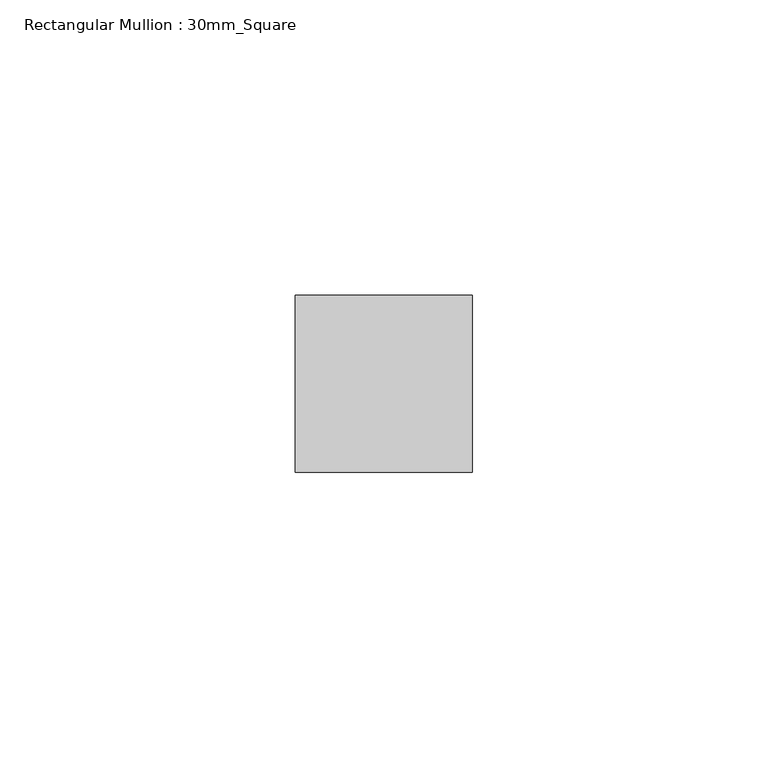
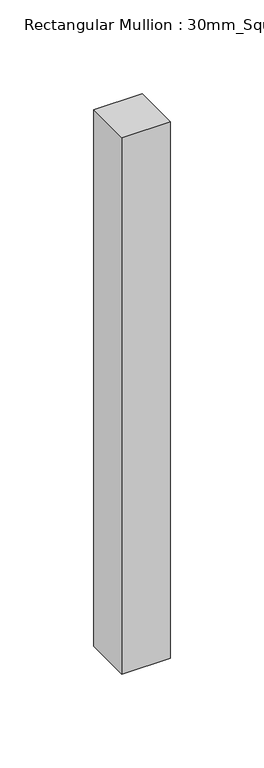
"""IFC4 building model written with IfcOpenShell, lengths in millimetres: member geometry, Rectangular Mullion : 30mm_Square."""

from ifc_helpers import new_model, si_unit, frame, origin, place, context, project, spatial, polyline, outline, extrude, source, transform, mapped, element, save


def rectangular_mullion_30mm_square_0f60acd2(model_context):
    return source(origin(), model_context, "Body", "SweptSolid", [
        extrude(outline(polyline([(0.0, 15.0), (0.0, -15.0), (-30.0, -15.0), (-30.0, 15.0), (0.0, 15.0)])), frame((0.0, 0.0, -350.0), z_axis=(0.0, 0.0, 1.0), x_axis=(1.0, 0.0, 0.0)), (0.0, 0.0, 1.0), 350.0),
    ])


if __name__ == "__main__":
    model = new_model("IFC4")
    model_context = context("Model", 3, world=origin())
    ifc_project = project(units=[si_unit("LENGTHUNIT", "METRE", prefix="MILLI")], contexts=[model_context])
    site = spatial("IfcSite", under=ifc_project)
    building = spatial("IfcBuilding", under=site)
    placement = place(None, origin())
    rectangular_mullion_30mm_square_shape = rectangular_mullion_30mm_square_0f60acd2(model_context)
    element("IfcMember", 1, ObjectType="Rectangular Mullion : 30mm_Square", at=placement, inside=building, context=model_context, shape_type="MappedRepresentation", body=[
        mapped(rectangular_mullion_30mm_square_shape, transform((0.0, 0.0, 0.0), x_axis=(1.0, 0.0, 0.0), y_axis=(0.0, 1.0, 0.0), z_axis=(0.0, 0.0, 1.0))),
    ])
    save(model, "model.ifc")
